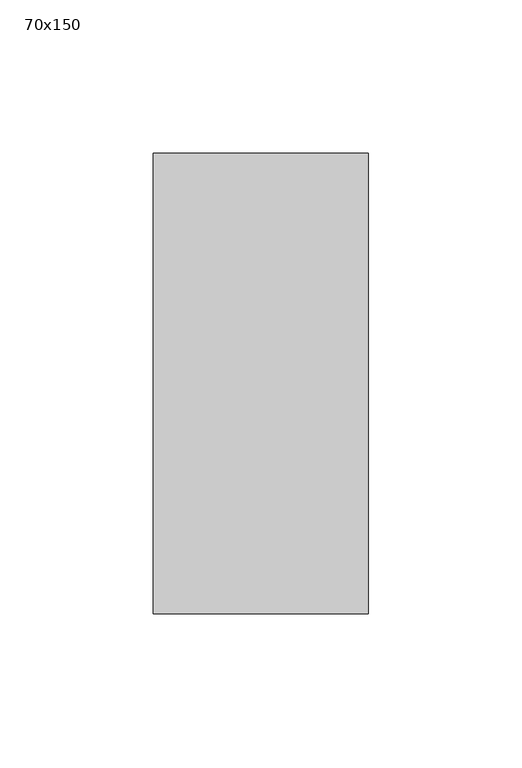
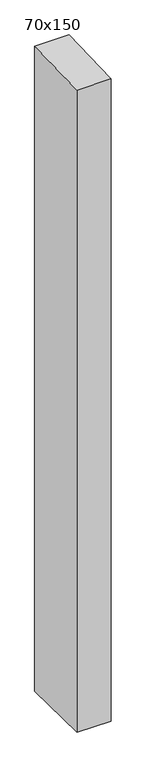
"""IFC4 building model written with IfcOpenShell, lengths in millimetres: member geometry, 70x150."""

from ifc_helpers import new_model, si_unit, frame, origin, place, context, project, spatial, polyline, outline, extrude, source, transform, mapped, element, save


def member_70x150_5efa4815(model_context):
    return source(origin(), model_context, "Body", "SweptSolid", [
        extrude(outline(polyline([(-75.0, -1.8591782), (75.0, 1.8591782), (75.0, -1393.0338973), (-75.0, -1391.5215645), (-75.0, -1.8591782)])), frame((-70.0, 0.0, 0.0), z_axis=(1.0, 0.0, 0.0), x_axis=(0.0, 1.0, 0.0)), (0.0, 0.0, 1.0), 70.0),
    ])


if __name__ == "__main__":
    model = new_model("IFC4")
    model_context = context("Model", 3, world=origin())
    ifc_project = project(units=[si_unit("LENGTHUNIT", "METRE", prefix="MILLI")], contexts=[model_context])
    site = spatial("IfcSite", under=ifc_project)
    building = spatial("IfcBuilding", under=site)
    placement = place(None, origin())
    member_70x150_shape = member_70x150_5efa4815(model_context)
    element("IfcMember", 1, ObjectType="70x150", at=placement, inside=building, context=model_context, shape_type="MappedRepresentation", body=[
        mapped(member_70x150_shape, transform((0.0, 0.0, 0.0), x_axis=(1.0, 0.0, 0.0), y_axis=(0.0, 1.0, 0.0), z_axis=(0.0, 0.0, 1.0))),
    ])
    save(model, "model.ifc")
